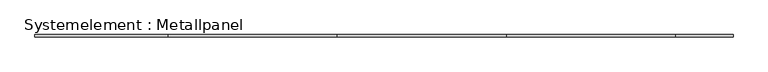
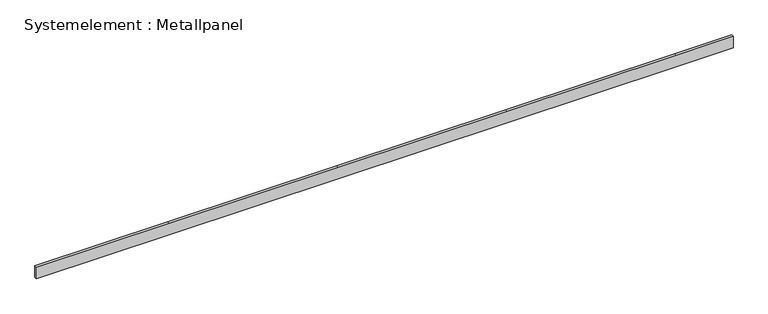
"""IFC4 building model written with IfcOpenShell, lengths in millimetres: plate geometry, Systemelement : Metallpanel."""

import ifcopenshell
import ifcopenshell.guid

model = None  # the IFC model being written
_history = None  # IfcOwnerHistory: only IFC2X3 demands one
_inside = {}  # id of a spatial element -> (the spatial element, [elements in it])
_under = {}  # id of a project, library or spatial element -> (it, [spatial elements below it])
_declared = {}  # id of a project -> (the project, [libraries it declares])
_typed = {}  # id of a type object -> (the type object, [elements of that type])
_made_of = {}  # id of a material, layer set ... -> (it, [elements and type objects made of it])


def new_model(schema):
    """Start an empty IFC model of exactly this schema.

    Asked for "IFC4X3", IfcOpenShell would pick the latest addendum, in which some entities
    have other attributes; the version numbers below select the first issue.
    IFC2X3 requires an IfcOwnerHistory on every rooted entity: one is made here for all.
    """
    global model, _history
    if schema == "IFC4X3":
        model = ifcopenshell.file(schema_version=(4, 3, 0, 0))
    else:
        model = ifcopenshell.file(schema=schema)
    _inside.clear()
    _under.clear()
    _declared.clear()
    _typed.clear()
    _made_of.clear()
    _history = None
    if model.schema == "IFC2X3":
        org = make("IfcOrganization", Name="unknown")
        user = make(
            "IfcPersonAndOrganization",
            ThePerson=make("IfcPerson", FamilyName="unknown"),
            TheOrganization=org,
        )
        app = make(
            "IfcApplication",
            ApplicationDeveloper=org,
            Version="unknown",
            ApplicationFullName="unknown",
            ApplicationIdentifier="unknown",
        )
        _history = make(
            "IfcOwnerHistory",
            OwningUser=user,
            OwningApplication=app,
            ChangeAction="ADDED",
            CreationDate=0,
        )
    return model


def make(cls, **values):
    """One entity of the class cls with the attributes given. An attribute that is None is left unset."""
    return model.create_entity(
        cls, **{name: value for name, value in values.items() if value is not None}
    )


def rooted(cls, **values):
    """An entity with a GlobalId (a new one), such as an element, a storey or a relation."""
    return make(cls, GlobalId=ifcopenshell.guid.new(), OwnerHistory=_history, **values)


def si_unit(unit_type, name, prefix=None):
    """IfcSIUnit, for example si_unit("LENGTHUNIT", "METRE", prefix="MILLI")."""
    return make("IfcSIUnit", UnitType=unit_type, Prefix=prefix, Name=name)


def assignment(units):
    """IfcUnitAssignment: the units of a project."""
    return None if units is None else make("IfcUnitAssignment", Units=units)


def point(xyz):
    """IfcCartesianPoint."""
    return None if xyz is None else make("IfcCartesianPoint", Coordinates=xyz)


def direction(xyz):
    """IfcDirection."""
    return None if xyz is None else make("IfcDirection", DirectionRatios=xyz)


def frame(location, z_axis=None, x_axis=None):
    """IfcAxis2Placement3D, a coordinate frame: its origin and axes. An axis left out is left unset."""
    return make(
        "IfcAxis2Placement3D",
        Location=point(location),
        Axis=direction(z_axis),
        RefDirection=direction(x_axis),
    )


def origin():
    """The frame at (0, 0, 0) with its axes left unset."""
    return frame((0.0, 0.0, 0.0))


def place(relative_to, where):
    """IfcLocalPlacement: puts the frame where relative to a parent placement (None: the world)."""
    return make(
        "IfcLocalPlacement", PlacementRelTo=relative_to, RelativePlacement=where
    )


def context(
    kind, dimensions, precision=None, world=None, true_north=None, identifier=None
):
    """IfcGeometricRepresentationContext, for example the 3D "Model" context."""
    return make(
        "IfcGeometricRepresentationContext",
        ContextIdentifier=identifier,
        ContextType=kind,
        CoordinateSpaceDimension=dimensions,
        Precision=precision,
        WorldCoordinateSystem=world,
        TrueNorth=true_north,
    )


def project(units=None, contexts=None):
    """IfcProject with its units and contexts."""
    return rooted(
        "IfcProject",
        Name="project",
        RepresentationContexts=contexts,
        UnitsInContext=assignment(units),
    )


def spatial(cls, under=None, at=None, **own):
    """A site, building, storey or space (cls), placed at a placement, below another one or the project."""
    s = rooted(cls, ObjectPlacement=at, **own)
    if under is not None:
        _under.setdefault(under.id(), (under, []))[1].append(s)
    return s


def polyline(points):
    """IfcPolyline through the points."""
    return make("IfcPolyline", Points=[point(p) for p in points])


def outline(outer, holes=None, kind="AREA"):
    """IfcArbitraryClosedProfileDef: a profile drawn as a closed curve; with holes, ...WithVoids."""
    if holes is None:
        return make("IfcArbitraryClosedProfileDef", ProfileType=kind, OuterCurve=outer)
    return make(
        "IfcArbitraryProfileDefWithVoids",
        ProfileType=kind,
        OuterCurve=outer,
        InnerCurves=holes,
    )


def extrude(swept, where, along, depth):
    """IfcExtrudedAreaSolid: the profile swept, set in the frame where, extruded along a direction by depth."""
    return make(
        "IfcExtrudedAreaSolid",
        SweptArea=swept,
        Position=where,
        ExtrudedDirection=direction(along),
        Depth=depth,
    )


def shape(context_of_items, identifier, shape_type, items):
    """IfcShapeRepresentation: the items that make up one representation, for example the "Body"."""
    return make(
        "IfcShapeRepresentation",
        ContextOfItems=context_of_items,
        RepresentationIdentifier=identifier,
        RepresentationType=shape_type,
        Items=items,
    )


def source(mapping_origin, context_of_items, identifier, shape_type, items):
    """IfcRepresentationMap: a shape defined once, which mapped items show again and again."""
    return make(
        "IfcRepresentationMap",
        MappingOrigin=mapping_origin,
        MappedRepresentation=shape(context_of_items, identifier, shape_type, items),
    )


def transform(
    local_origin,
    x_axis=None,
    y_axis=None,
    z_axis=None,
    scale=None,
    scale2=None,
    scale3=None,
    uniform=True,
):
    """IfcCartesianTransformationOperator3D, or its non-uniform kind. x_axis, y_axis, z_axis: its Axis1, 2, 3."""
    if uniform:
        return make(
            "IfcCartesianTransformationOperator3D",
            Axis1=direction(x_axis),
            Axis2=direction(y_axis),
            LocalOrigin=point(local_origin),
            Scale=scale,
            Axis3=direction(z_axis),
        )
    return make(
        "IfcCartesianTransformationOperator3DnonUniform",
        Axis1=direction(x_axis),
        Axis2=direction(y_axis),
        LocalOrigin=point(local_origin),
        Scale=scale,
        Axis3=direction(z_axis),
        Scale2=scale2,
        Scale3=scale3,
    )


def mapped(mapping_source, mapping_target):
    """IfcMappedItem: shows the shape of a source again, moved by a transform."""
    return make(
        "IfcMappedItem", MappingSource=mapping_source, MappingTarget=mapping_target
    )


def made_of(thing, what):
    """Note that an element or type object is made of a material, layer set ...; save() writes the relation."""
    if what is not None:
        _made_of.setdefault(what.id(), (what, []))[1].append(thing)
    return thing


def element(
    cls,
    number,
    at=None,
    inside=None,
    cuts=None,
    type_object=None,
    material=None,
    context=None,
    identifier="Body",
    shape_type=None,
    held_by="IfcProductDefinitionShape",
    body=None,
    shapes=None,
    **own,
):
    """One element of the class cls, such as IfcWall. Its Tag is "e" and its number.

    at: its placement. inside: the storey or other place that contains it. cuts: it is an
    opening in that element (IfcRelVoidsElement). A single representation is given by context,
    identifier, shape_type and body (its items); several are given by shapes. held_by: the class
    of the entity that holds the representations. save() writes the other relations.
    """
    e = rooted(cls, Tag="e%d" % number, ObjectPlacement=at, **own)
    if body is not None:
        shapes = [shape(context, identifier, shape_type, body)]
    if shapes is not None:
        e.Representation = make(held_by, Representations=shapes)
    if inside is not None:
        _inside.setdefault(inside.id(), (inside, []))[1].append(e)
    if cuts is not None:
        rooted(
            "IfcRelVoidsElement", RelatingBuildingElement=cuts, RelatedOpeningElement=e
        )
    if type_object is not None:
        _typed.setdefault(type_object.id(), (type_object, []))[1].append(e)
    return made_of(e, material)


def aggregate(whole, parts):
    """IfcRelAggregates: a whole, such as a stair, and the parts it consists of."""
    return rooted("IfcRelAggregates", RelatingObject=whole, RelatedObjects=parts)


def save(model, path):
    """Write the relations noted so far, then the file.

    IfcRelAggregates (storeys below a building ...), IfcRelContainedInSpatialStructure (elements
    in a storey), IfcRelDefinesByType, IfcRelAssociatesMaterial and IfcRelDeclares: one each for
    every whole, place, type object, material and project.
    """
    for whole, parts in _under.values():
        aggregate(whole, parts)
    for where, things in _inside.values():
        rooted(
            "IfcRelContainedInSpatialStructure",
            RelatedElements=things,
            RelatingStructure=where,
        )
    for kind, things in _typed.values():
        rooted("IfcRelDefinesByType", RelatedObjects=things, RelatingType=kind)
    for what, things in _made_of.values():
        rooted("IfcRelAssociatesMaterial", RelatedObjects=things, RelatingMaterial=what)
    for by, libraries in _declared.values():
        rooted("IfcRelDeclares", RelatingContext=by, RelatedDefinitions=libraries)
    model.write(path)


def systemelement_metallpanel_6546fc96(model_context):
    return source(origin(), model_context, "Body", "SweptSolid", [
        extrude(outline(polyline([(0.0, -4124.9999988), (0.0, -2550.9527394), (0.0, -550.9527394), (0.0, 1449.0472606), (0.0, 3449.0472606), (0.0, 4124.9999988), (145.0, 4124.9999988), (145.0, 3449.0472606), (145.0, 1449.0472606), (145.0, -550.9527394), (145.0, -2550.9527394), (145.0, -4124.9999988), (0.0, -4124.9999988)])), frame((0.0, -15.0, 0.0), z_axis=(0.0, 1.0, 0.0), x_axis=(0.0, 0.0, 1.0)), (0.0, 0.0, 1.0), 30.0),
    ])


if __name__ == "__main__":
    model = new_model("IFC4")
    model_context = context("Model", 3, world=origin())
    ifc_project = project(units=[si_unit("LENGTHUNIT", "METRE", prefix="MILLI")], contexts=[model_context])
    site = spatial("IfcSite", under=ifc_project)
    building = spatial("IfcBuilding", under=site)
    placement = place(None, origin())
    systemelement_metallpanel_shape = systemelement_metallpanel_6546fc96(model_context)
    element("IfcPlate", 1, ObjectType="Systemelement : Metallpanel", at=placement, inside=building, context=model_context, shape_type="MappedRepresentation", body=[
        mapped(systemelement_metallpanel_shape, transform((0.0, 0.0, 0.0), x_axis=(1.0, 0.0, 0.0), y_axis=(0.0, 1.0, 0.0), z_axis=(0.0, 0.0, 1.0))),
    ])
    save(model, "model.ifc")
